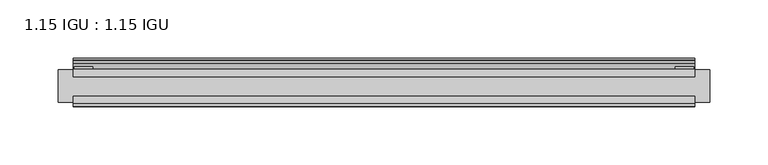
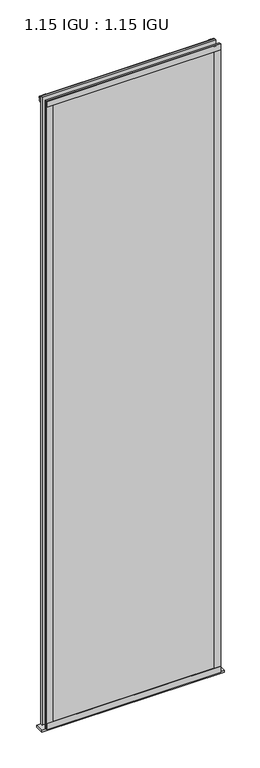
"""IFC4 building model written with IfcOpenShell, lengths in millimetres: plate geometry, 1.15 IGU : 1.15 IGU."""

from ifc_helpers import new_model, si_unit, point, frame, frame_2d, origin, place, context, project, spatial, polyline, circle_curve, trimmed, segment, composite_curve, outline, extrude, source, transform, mapped, element, save


def plate_1_15_igu_1_15_igu_455fbb5f(model_context):
    return source(origin(), model_context, "Body", "SweptSolid", [
        extrude(outline(polyline([(266.773508, 0.0), (266.773508, -6.2992), (-266.773508, -6.2992), (-266.773508, 0.0), (266.773508, 0.0)])), frame((0.0, 0.0, -19.05), z_axis=(0.0, 0.0, 1.0), x_axis=(1.0, 0.0, 0.0)), (0.0, 0.0, 1.0), 2036.7498001),
        extrude(outline(polyline([(-266.773508, -23.1648), (266.773508, -23.1648), (266.773508, -29.464), (-266.773508, -29.464), (-266.773508, -23.1648)])), frame((0.0, 0.0, -19.05), z_axis=(0.0, 0.0, 1.0), x_axis=(1.0, 0.0, 0.0)), (0.0, 0.0, 1.0), 2036.7498001),
        extrude(outline(composite_curve([segment(trimmed(circle_curve(frame_2d((10.9021792, -22.6833935)), 11.4916952), [point((0.0, -19.05))], [point((-0.2638007, -25.4))], True, "CARTESIAN"), True, "CONTINUOUS"), segment(polyline([(-0.2638007, -25.4), (-27.9952564, -25.4), (-27.9952564, -19.05), (0.0, -19.05)]), True, "CONTINUOUS")], self_intersect=False)), frame((-279.473508, 0.0, 0.0), z_axis=(1.0, 0.0, 0.0), x_axis=(0.0, 1.0, 0.0)), (0.0, 0.0, 1.0), 558.947016),
        extrude(outline(polyline([(-266.773508, -31.75), (-266.773508, -29.464), (266.773508, -29.464), (266.773508, -31.75), (-266.773508, -31.75)])), frame((0.0, 0.0, -19.05), z_axis=(0.0, 0.0, 1.0), x_axis=(1.0, 0.0, 0.0)), (0.0, 0.0, 1.0), 19.05),
        extrude(outline(composite_curve([segment(trimmed(circle_curve(frame_2d((-23.3689302, 2041.8664901)), 40.3187601), [point((0.0, 2009.0108131))], [point((4.9746073, 2013.1916528))], True, "CARTESIAN"), True, "CONTINUOUS"), segment(trimmed(circle_curve(frame_2d((5.8674, 2012.2884246)), 1.27), [point((4.9746073, 2013.1916528))], [point((7.1374, 2012.2884246))], False, "CARTESIAN"), True, "CONTINUOUS"), segment(polyline([(7.1374, 2012.2884246), (7.1374, 2007.8876169), (7.7309478, 2005.6724663), (6.35, 2005.4379789), (6.35, 2000.2500001), (9.3980339, 2000.2500001), (9.3980339, 1998.8684051)]), True, "CONTINUOUS"), segment(trimmed(circle_curve(frame_2d((13.6593785, 1967.8551528)), 31.3046461), [point((9.3980339, 1998.8684051))], [point((0.0, 1996.0225498))], True, "CARTESIAN"), True, "CONTINUOUS"), segment(polyline([(0.0, 1996.0225498), (0.0, 2009.0108131)]), True, "CONTINUOUS")], self_intersect=False)), frame((-266.773508, 0.0, 0.0), z_axis=(1.0, 0.0, 0.0), x_axis=(0.0, 1.0, 0.0)), (0.0, 0.0, 1.0), 533.547016),
        extrude(outline(polyline([(-266.773508, -31.75), (-266.773508, -29.464), (266.773508, -29.464), (266.773508, -31.75), (-266.773508, -31.75)])), frame((0.0, 0.0, 2000.2500001), z_axis=(0.0, 0.0, 1.0), x_axis=(1.0, 0.0, 0.0)), (0.0, 0.0, 1.0), 19.05),
        extrude(outline(polyline([(247.723508, -29.464), (266.773508, -29.464), (266.773508, -31.75), (247.723508, -31.75), (247.723508, -29.464)])), frame((0.0, 0.0, -19.05), z_axis=(0.0, 0.0, 1.0), x_axis=(1.0, 0.0, 0.0)), (0.0, 0.0, 1.0), 2036.7498001),
        extrude(outline(polyline([(265.567008, 2.2860088), (265.567008, 0.0021347), (249.692008, 0.0021347), (249.692008, 2.2860088), (265.567008, 2.2860088)])), frame((0.0, 0.0, -19.05), z_axis=(0.0, 0.0, 1.0), x_axis=(1.0, 0.0, 0.0)), (0.0, 0.0, 1.0), 2036.7498001),
        extrude(outline(polyline([(-266.773508, -31.75), (-266.773508, -29.464), (-247.723508, -29.464), (-247.723508, -31.75), (-266.773508, -31.75)])), frame((0.0, 0.0, -19.05), z_axis=(0.0, 0.0, 1.0), x_axis=(1.0, 0.0, 0.0)), (0.0, 0.0, 1.0), 2036.7498001),
        extrude(outline(polyline([(-265.567008, 0.0), (-265.567008, 2.286), (-249.692008, 2.286), (-249.692008, 0.0), (-265.567008, 0.0)])), frame((0.0, 0.0, -19.05), z_axis=(0.0, 0.0, 1.0), x_axis=(1.0, 0.0, 0.0)), (0.0, 0.0, 1.0), 2036.7498001),
    ])


if __name__ == "__main__":
    model = new_model("IFC4")
    model_context = context("Model", 3, world=origin())
    ifc_project = project(units=[si_unit("LENGTHUNIT", "METRE", prefix="MILLI")], contexts=[model_context])
    site = spatial("IfcSite", under=ifc_project)
    building = spatial("IfcBuilding", under=site)
    placement = place(None, origin())
    plate_1_15_igu_1_15_igu_shape = plate_1_15_igu_1_15_igu_455fbb5f(model_context)
    element("IfcPlate", 1, ObjectType="1.15 IGU : 1.15 IGU", at=placement, inside=building, context=model_context, shape_type="MappedRepresentation", body=[
        mapped(plate_1_15_igu_1_15_igu_shape, transform((0.0, 0.0, 0.0), x_axis=(1.0, 0.0, 0.0), y_axis=(0.0, 1.0, 0.0), z_axis=(0.0, 0.0, 1.0))),
    ])
    save(model, "model.ifc")
